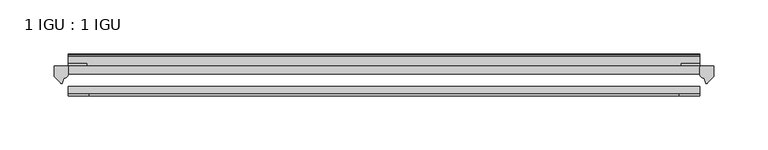
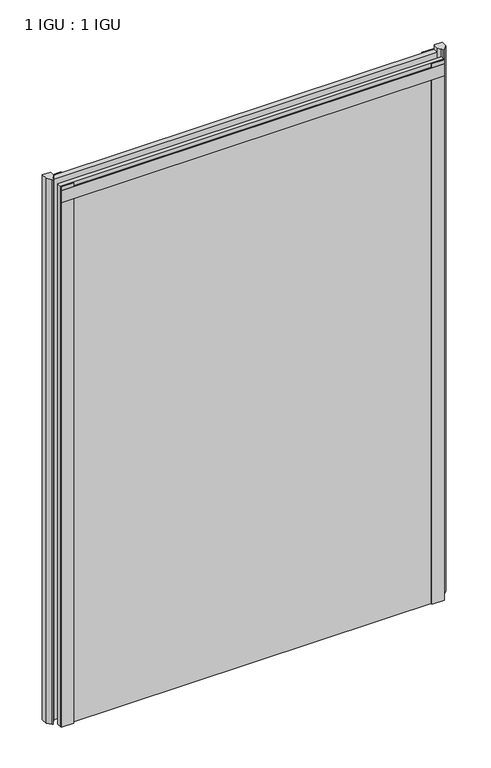
"""IFC4 building model written with IfcOpenShell, lengths in millimetres: plate geometry, 1 IGU : 1 IGU."""

from ifc_helpers import new_model, si_unit, point, frame, frame_2d, origin, place, context, project, spatial, polyline, circle_curve, trimmed, segment, composite_curve, outline, extrude, source, transform, mapped, element, save


def plate_1_igu_1_igu_ce3469d9(model_context):
    return source(origin(), model_context, "Body", "SweptSolid", [
        extrude(outline(polyline([(292.1, -11.6085937), (292.1, -18.8576359), (-292.1, -18.8576359), (-292.1, -11.6085937), (292.1, -11.6085937)])), frame((0.0, 0.0, -19.05), z_axis=(0.0, 0.0, 1.0), x_axis=(1.0, 0.0, 0.0)), (0.0, 0.0, 1.0), 869.9499998),
        extrude(outline(polyline([(-292.1, -30.7093937), (292.1, -30.7093937), (292.1, -37.0085937), (-292.1, -37.0085937), (-292.1, -30.7093937)])), frame((0.0, 0.0, -19.05), z_axis=(0.0, 0.0, 1.0), x_axis=(1.0, 0.0, 0.0)), (0.0, 0.0, 1.0), 869.9499998),
        extrude(outline(composite_curve([segment(polyline([(305.1779091, -11.6101465), (304.8, -21.3502133), (298.8619467, -27.6095865)]), True, "CONTINUOUS"), segment(trimmed(circle_curve(frame_2d((298.1891407, -27.2518492)), 0.762), [point((298.8619467, -27.6095865))], [point((297.4604364, -27.4746364))], False, "CARTESIAN"), True, "CONTINUOUS"), segment(polyline([(297.4604364, -27.4746364), (296.1986019, -23.3488397)]), True, "CONTINUOUS"), segment(trimmed(circle_curve(frame_2d((298.380559, -16.3834724)), 7.2991286), [point((296.1986019, -23.3488397))], [point((292.1001786, -20.1028944))], False, "CARTESIAN"), True, "CONTINUOUS"), segment(polyline([(292.1001786, -20.1028944), (292.1001786, -12.664425)]), True, "CONTINUOUS"), segment(trimmed(circle_curve(frame_2d((298.3814331, -16.3827796)), 7.2993369), [point((292.1001786, -12.664425))], [point((292.858545, -11.6101465))], False, "CARTESIAN"), True, "CONTINUOUS"), segment(polyline([(292.858545, -11.6101465), (305.1779091, -11.6101465)]), True, "CONTINUOUS")], self_intersect=False)), frame((0.0, 0.0, -19.05), z_axis=(0.0, 0.0, 1.0), x_axis=(1.0, 0.0, 0.0)), (0.0, 0.0, 1.0), 877.0873998),
        extrude(outline(composite_curve([segment(polyline([(-292.1, -11.610702), (-292.1, -20.1014769)]), True, "CONTINUOUS"), segment(trimmed(circle_curve(frame_2d((-298.3811943, -16.3829847)), 7.2993552), [point((-292.1, -20.1014769))], [point((-296.1989498, -23.3484994))], False, "CARTESIAN"), True, "CONTINUOUS"), segment(polyline([(-296.1989498, -23.3484994), (-297.4604364, -27.4746364)]), True, "CONTINUOUS"), segment(trimmed(circle_curve(frame_2d((-298.1891407, -27.2518492)), 0.762), [point((-297.4604364, -27.4746364))], [point((-298.8619467, -27.6095865))], False, "CARTESIAN"), True, "CONTINUOUS"), segment(polyline([(-298.8619467, -27.6095865), (-304.8, -21.3502133), (-305.1779091, -11.610702), (-292.1, -11.610702)]), True, "CONTINUOUS")], self_intersect=False)), frame((0.0, 0.0, -19.05), z_axis=(0.0, 0.0, 1.0), x_axis=(1.0, 0.0, 0.0)), (0.0, 0.0, 1.0), 877.0873998),
        extrude(outline(composite_curve([segment(polyline([(-3.0995937, 840.8194211), (-3.0995937, 838.7874211), (-5.2585937, 838.7874211), (-5.2585937, 833.4534211), (-1.5755937, 833.4534211), (-1.5755937, 830.4054211), (-5.2585937, 830.4054211), (-5.2585937, 825.5794211), (-0.5298657, 826.2440005), (-0.4061408, 825.3636522)]), True, "CONTINUOUS"), segment(trimmed(circle_curve(frame_2d((-1.4122531, 825.2222523)), 1.016), [point((-0.4061408, 825.3636522))], [point((-1.2708533, 824.21614))], False, "CARTESIAN"), True, "CONTINUOUS"), segment(polyline([(-1.2708533, 824.21614), (-11.6085937, 822.7632653), (-11.6085937, 840.8194211), (-3.0995937, 840.8194211)]), True, "CONTINUOUS")], self_intersect=False)), frame((-292.1, 0.0, 0.0), z_axis=(1.0, 0.0, 0.0), x_axis=(0.0, 1.0, 0.0)), (0.0, 0.0, 1.0), 584.2),
        extrude(outline(polyline([(-292.1, -39.2945937), (-292.1, -37.0085937), (292.1, -37.0085937), (292.1, -39.2945937), (-292.1, -39.2945937)])), frame((0.0, 0.0, 825.4999998), z_axis=(0.0, 0.0, 1.0), x_axis=(1.0, 0.0, 0.0)), (0.0, 0.0, 1.0), 19.05),
        extrude(outline(polyline([(273.05, -37.0085937), (292.1, -37.0085937), (292.1, -39.2945938), (273.05, -39.2945938), (273.05, -37.0085937)])), frame((0.0, 0.0, -19.05), z_axis=(0.0, 0.0, 1.0), x_axis=(1.0, 0.0, 0.0)), (0.0, 0.0, 1.0), 869.9499998),
        extrude(outline(polyline([(292.1, -9.3247196), (292.1, -11.6085937), (275.0185, -11.6085937), (275.0185, -9.3247196), (292.1, -9.3247196)])), frame((0.0, 0.0, -19.05), z_axis=(0.0, 0.0, 1.0), x_axis=(1.0, 0.0, 0.0)), (0.0, 0.0, 1.0), 869.9499998),
        extrude(outline(polyline([(-292.1, -39.2945937), (-292.1, -37.0085937), (-273.05, -37.0085937), (-273.05, -39.2945937), (-292.1, -39.2945937)])), frame((0.0, 0.0, -19.05), z_axis=(0.0, 0.0, 1.0), x_axis=(1.0, 0.0, 0.0)), (0.0, 0.0, 1.0), 869.9499998),
        extrude(outline(polyline([(-292.1, -11.6107196), (-292.1, -9.2273437), (-275.0185, -9.2273437), (-275.0185, -11.6107196), (-292.1, -11.6107196)])), frame((0.0, 0.0, -19.05), z_axis=(0.0, 0.0, 1.0), x_axis=(1.0, 0.0, 0.0)), (0.0, 0.0, 1.0), 869.9499998),
    ])


if __name__ == "__main__":
    model = new_model("IFC4")
    model_context = context("Model", 3, world=origin())
    ifc_project = project(units=[si_unit("LENGTHUNIT", "METRE", prefix="MILLI")], contexts=[model_context])
    site = spatial("IfcSite", under=ifc_project)
    building = spatial("IfcBuilding", under=site)
    placement = place(None, origin())
    plate_1_igu_1_igu_shape = plate_1_igu_1_igu_ce3469d9(model_context)
    element("IfcPlate", 1, ObjectType="1 IGU : 1 IGU", at=placement, inside=building, context=model_context, shape_type="MappedRepresentation", body=[
        mapped(plate_1_igu_1_igu_shape, transform((0.0, 0.0, 0.0), x_axis=(1.0, 0.0, 0.0), y_axis=(0.0, 1.0, 0.0), z_axis=(0.0, 0.0, 1.0))),
    ])
    save(model, "model.ifc")
